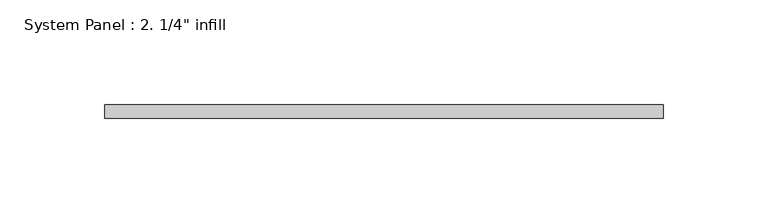
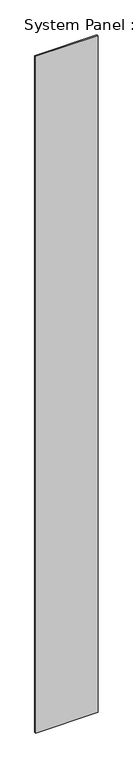
"""IFC4 building model written with IfcOpenShell, lengths in millimetres: plate geometry."""

from ifc_helpers import new_model, si_unit, origin, origin_with_axes, place, context, project, spatial, polyline, outline, extrude, source, transform, mapped, element, save


def plate_8bfabcbb(model_context):
    return source(origin(), model_context, "Body", "SweptSolid", [
        extrude(outline(polyline([(133.35, -6.35), (-133.35, -6.35), (-133.35, 0.0), (133.35, 0.0), (133.35, -6.35)])), origin_with_axes(), (0.0, 0.0, 1.0), 3048.0),
    ])


if __name__ == "__main__":
    model = new_model("IFC4")
    model_context = context("Model", 3, world=origin())
    ifc_project = project(units=[si_unit("LENGTHUNIT", "METRE", prefix="MILLI")], contexts=[model_context])
    site = spatial("IfcSite", under=ifc_project)
    building = spatial("IfcBuilding", under=site)
    placement = place(None, origin())
    plate_shape = plate_8bfabcbb(model_context)
    element("IfcPlate", 1, ObjectType="System Panel : 2. 1/4\" infill", at=placement, inside=building, context=model_context, shape_type="MappedRepresentation", body=[
        mapped(plate_shape, transform((0.0, 0.0, 0.0), x_axis=(1.0, 0.0, 0.0), y_axis=(0.0, 1.0, 0.0), z_axis=(0.0, 0.0, 1.0))),
    ])
    save(model, "model.ifc")
